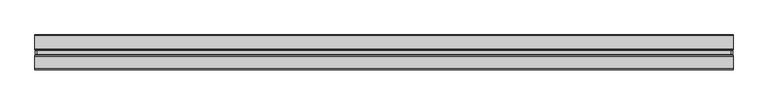
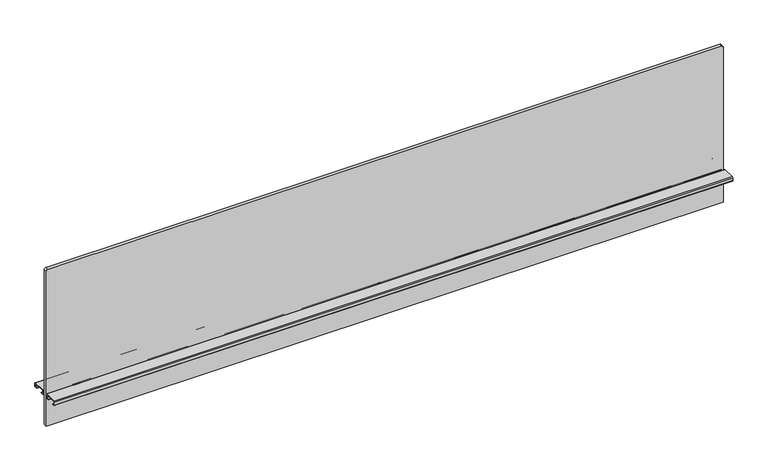
"""IFC4 building model written with IfcOpenShell, lengths in millimetres: furniture geometry."""

from ifc_helpers import new_model, si_unit, point, frame, frame_2d, origin, place, context, project, spatial, polyline, circle_curve, trimmed, segment, composite_curve, outline, extrude, source, transform, mapped, element, save


def furniture_5071a4fb(model_context):
    return source(origin(), model_context, "Body", "SweptSolid", [
        extrude(outline(composite_curve([segment(polyline([(1670.913613, 756.92), (1670.913613, -756.92)]), True, "CONTINUOUS"), segment(trimmed(circle_curve(frame_2d((1667.103613, -756.92)), 3.81), [point((1670.913613, -756.92))], [point((1667.103613, -760.73))], False, "CARTESIAN"), True, "CONTINUOUS"), segment(polyline([(1667.103613, -760.73), (1299.565613, -760.73), (1299.565613, 760.73), (1667.103613, 760.73)]), True, "CONTINUOUS"), segment(trimmed(circle_curve(frame_2d((1667.103613, 756.92)), 3.81), [point((1667.103613, 760.73))], [point((1670.913613, 756.92))], False, "CARTESIAN"), True, "CONTINUOUS")], self_intersect=False)), frame((0.0, -3.683001, 0.0), z_axis=(0.0, 1.0, 0.0), x_axis=(0.0, 0.0, 1.0)), (0.0, 0.0, 1.0), 7.3660021),
        extrude(outline(composite_curve([segment(polyline([(8.1724496, 1378.8644064), (36.0679996, 1378.8644064)]), True, "CONTINUOUS"), segment(trimmed(circle_curve(frame_2d((36.0679996, 1376.8324064)), 2.032), [point((36.0679996, 1378.8644064))], [point((38.0999996, 1376.8324064))], False, "CARTESIAN"), True, "CONTINUOUS"), segment(polyline([(38.0999996, 1376.8324064), (38.0999996, 1370.7364161)]), True, "CONTINUOUS"), segment(trimmed(circle_curve(frame_2d((36.0679996, 1370.7364161)), 2.032), [point((38.0999996, 1370.7364161))], [point((36.0679996, 1368.7044161))], False, "CARTESIAN"), True, "CONTINUOUS"), segment(polyline([(36.0679996, 1368.7044161), (30.7784504, 1368.7044161), (30.7784504, 1369.6187498), (36.1695996, 1369.6187498)]), True, "CONTINUOUS"), segment(trimmed(circle_curve(frame_2d((36.1695996, 1370.6347498)), 1.016), [point((36.1695996, 1369.6187498))], [point((37.1855996, 1370.6347498))], True, "CARTESIAN"), True, "CONTINUOUS"), segment(polyline([(37.1855996, 1370.6347498), (37.1855996, 1376.934)]), True, "CONTINUOUS"), segment(trimmed(circle_curve(frame_2d((36.1695996, 1376.934)), 1.016), [point((37.1855996, 1376.934))], [point((36.1695996, 1377.95))], True, "CARTESIAN"), True, "CONTINUOUS"), segment(polyline([(36.1695996, 1377.95), (8.0708496, 1377.95)]), True, "CONTINUOUS"), segment(trimmed(circle_curve(frame_2d((8.0708496, 1376.934)), 1.016), [point((8.0708496, 1377.95))], [point((7.0548496, 1376.934))], True, "CARTESIAN"), True, "CONTINUOUS"), segment(polyline([(7.0548496, 1376.934), (7.0548496, 1370.6347498)]), True, "CONTINUOUS"), segment(trimmed(circle_curve(frame_2d((8.0708496, 1370.6347498)), 1.016), [point((7.0548496, 1370.6347498))], [point((8.0708496, 1369.6187498))], True, "CARTESIAN"), True, "CONTINUOUS"), segment(polyline([(8.0708496, 1369.6187498), (13.4619988, 1369.6187498), (13.4619988, 1368.7044161), (8.1724496, 1368.7044161)]), True, "CONTINUOUS"), segment(trimmed(circle_curve(frame_2d((8.1724496, 1370.7364161)), 2.032), [point((8.1724496, 1368.7044161))], [point((6.1404496, 1370.7364161))], False, "CARTESIAN"), True, "CONTINUOUS"), segment(polyline([(6.1404496, 1370.7364161), (6.1404496, 1376.8324064)]), True, "CONTINUOUS"), segment(trimmed(circle_curve(frame_2d((8.1724496, 1376.8324064)), 2.032), [point((6.1404496, 1376.8324064))], [point((8.1724496, 1378.8644064))], False, "CARTESIAN"), True, "CONTINUOUS")], self_intersect=False)), frame((-762.0, 0.0, 0.0), z_axis=(1.0, 0.0, 0.0), x_axis=(0.0, 1.0, 0.0)), (0.0, 0.0, 1.0), 1524.0),
        extrude(outline(composite_curve([segment(trimmed(circle_curve(frame_2d((-8.1724496, 1376.8324064)), 2.032), [point((-8.1724496, 1378.8644064))], [point((-6.1404496, 1376.8324064))], False, "CARTESIAN"), True, "CONTINUOUS"), segment(polyline([(-6.1404496, 1376.8324064), (-6.1404496, 1370.7364161)]), True, "CONTINUOUS"), segment(trimmed(circle_curve(frame_2d((-8.1724496, 1370.7364161)), 2.032), [point((-6.1404496, 1370.7364161))], [point((-8.1724496, 1368.7044161))], False, "CARTESIAN"), True, "CONTINUOUS"), segment(polyline([(-8.1724496, 1368.7044161), (-13.4619988, 1368.7044161), (-13.4619988, 1369.6187498), (-8.0708496, 1369.6187498)]), True, "CONTINUOUS"), segment(trimmed(circle_curve(frame_2d((-8.0708496, 1370.6347498)), 1.016), [point((-8.0708496, 1369.6187498))], [point((-7.0548496, 1370.6347498))], True, "CARTESIAN"), True, "CONTINUOUS"), segment(polyline([(-7.0548496, 1370.6347498), (-7.0548496, 1376.934)]), True, "CONTINUOUS"), segment(trimmed(circle_curve(frame_2d((-8.0708496, 1376.934)), 1.016), [point((-7.0548496, 1376.934))], [point((-8.0708496, 1377.95))], True, "CARTESIAN"), True, "CONTINUOUS"), segment(polyline([(-8.0708496, 1377.95), (-36.1695996, 1377.95)]), True, "CONTINUOUS"), segment(trimmed(circle_curve(frame_2d((-36.1695996, 1376.934)), 1.016), [point((-36.1695996, 1377.95))], [point((-37.1855996, 1376.934))], True, "CARTESIAN"), True, "CONTINUOUS"), segment(polyline([(-37.1855996, 1376.934), (-37.1855996, 1370.6347498)]), True, "CONTINUOUS"), segment(trimmed(circle_curve(frame_2d((-36.1695996, 1370.6347498)), 1.016), [point((-37.1855996, 1370.6347498))], [point((-36.1695996, 1369.6187498))], True, "CARTESIAN"), True, "CONTINUOUS"), segment(polyline([(-36.1695996, 1369.6187498), (-30.7784504, 1369.6187498), (-30.7784504, 1368.7044161), (-36.0679996, 1368.7044161)]), True, "CONTINUOUS"), segment(trimmed(circle_curve(frame_2d((-36.0679996, 1370.7364161)), 2.032), [point((-36.0679996, 1368.7044161))], [point((-38.0999996, 1370.7364161))], False, "CARTESIAN"), True, "CONTINUOUS"), segment(polyline([(-38.0999996, 1370.7364161), (-38.0999996, 1376.8324064)]), True, "CONTINUOUS"), segment(trimmed(circle_curve(frame_2d((-36.0679996, 1376.8324064)), 2.032), [point((-38.0999996, 1376.8324064))], [point((-36.0679996, 1378.8644064))], False, "CARTESIAN"), True, "CONTINUOUS"), segment(polyline([(-36.0679996, 1378.8644064), (-8.1724496, 1378.8644064)]), True, "CONTINUOUS")], self_intersect=False)), frame((-762.0, 0.0, 0.0), z_axis=(1.0, 0.0, 0.0), x_axis=(0.0, 1.0, 0.0)), (0.0, 0.0, 1.0), 1524.0),
    ])


if __name__ == "__main__":
    model = new_model("IFC4")
    model_context = context("Model", 3, world=origin())
    ifc_project = project(units=[si_unit("LENGTHUNIT", "METRE", prefix="MILLI")], contexts=[model_context])
    site = spatial("IfcSite", under=ifc_project)
    building = spatial("IfcBuilding", under=site)
    placement = place(None, origin())
    furniture_shape = furniture_5071a4fb(model_context)
    element("IfcFurniture", 1, at=placement, inside=building, context=model_context, shape_type="MappedRepresentation", body=[
        mapped(furniture_shape, transform((0.0, 0.0, 0.0), x_axis=(1.0, 0.0, 0.0), y_axis=(0.0, 1.0, 0.0), z_axis=(0.0, 0.0, 1.0))),
    ])
    save(model, "model.ifc")
